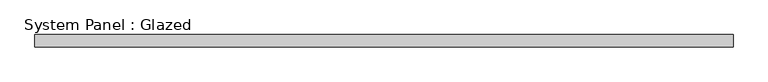
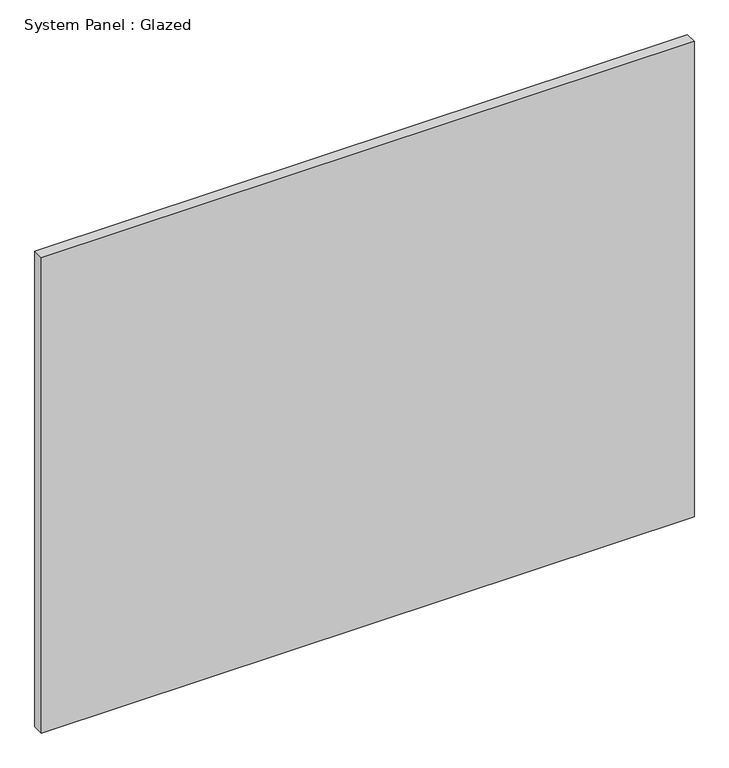
"""IFC4 building model written with IfcOpenShell, lengths in millimetres: plate geometry, System Panel : Glazed."""

from ifc_helpers import new_model, si_unit, origin, origin_with_axes, place, context, project, spatial, polyline, outline, extrude, source, transform, mapped, element, save


def system_panel_glazed_2823b8c2(model_context):
    return source(origin(), model_context, "Body", "SweptSolid", [
        extrude(outline(polyline([(730.2499999, 19.05), (-730.2499999, 19.05), (-730.2499999, 44.45), (730.2499999, 44.45), (730.2499999, 19.05)])), origin_with_axes(), (0.0, 0.0, 1.0), 1123.95),
    ])


if __name__ == "__main__":
    model = new_model("IFC4")
    model_context = context("Model", 3, world=origin())
    ifc_project = project(units=[si_unit("LENGTHUNIT", "METRE", prefix="MILLI")], contexts=[model_context])
    site = spatial("IfcSite", under=ifc_project)
    building = spatial("IfcBuilding", under=site)
    placement = place(None, origin())
    system_panel_glazed_shape = system_panel_glazed_2823b8c2(model_context)
    element("IfcPlate", 1, ObjectType="System Panel : Glazed", at=placement, inside=building, context=model_context, shape_type="MappedRepresentation", body=[
        mapped(system_panel_glazed_shape, transform((0.0, 0.0, 0.0), x_axis=(1.0, 0.0, 0.0), y_axis=(0.0, 1.0, 0.0), z_axis=(0.0, 0.0, 1.0))),
    ])
    save(model, "model.ifc")
